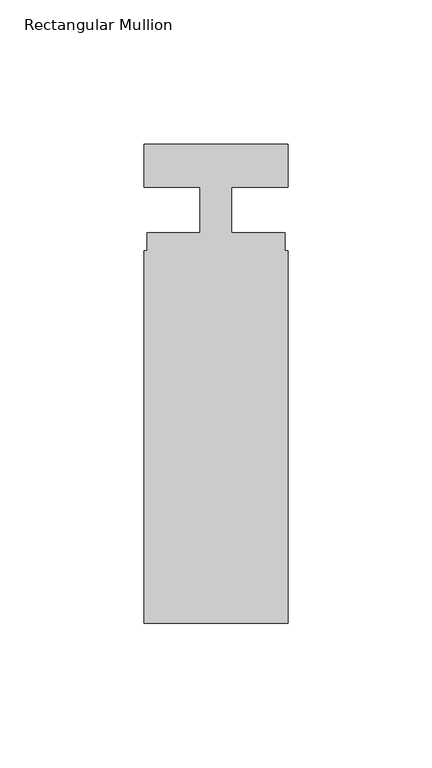
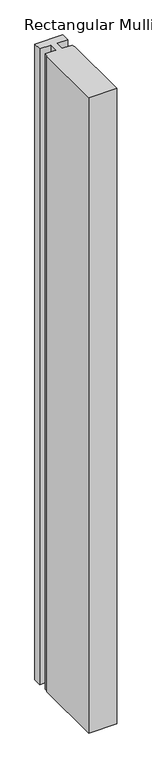
"""IFC4 building model written with IfcOpenShell, lengths in millimetres: member geometry, Rectangular Mullion."""

from ifc_helpers import new_model, si_unit, frame, origin, place, context, project, spatial, polyline, outline, extrude, source, transform, mapped, element, save


def rectangular_mullion_c75a9ccd(model_context):
    return source(origin(), model_context, "Body", "SweptSolid", [
        extrude(outline(polyline([(0.0, -140.3), (-50.0, -140.3), (-50.0, -11.0), (-48.9, -11.0), (-48.9, -4.8), (-30.4999998, -4.8), (-30.4999998, 11.0), (-50.0, 11.0), (-50.0, 26.0), (0.0, 26.0), (0.0, 11.0), (-19.5, 11.0), (-19.5, -4.8), (-1.1, -4.8), (-1.1, -11.0), (0.0, -11.0), (0.0, -140.3)])), frame((0.0, 0.0, -1200.0), z_axis=(0.0, 0.0, 1.0), x_axis=(1.0, 0.0, 0.0)), (0.0, 0.0, 1.0), 1200.0),
    ])


if __name__ == "__main__":
    model = new_model("IFC4")
    model_context = context("Model", 3, world=origin())
    ifc_project = project(units=[si_unit("LENGTHUNIT", "METRE", prefix="MILLI")], contexts=[model_context])
    site = spatial("IfcSite", under=ifc_project)
    building = spatial("IfcBuilding", under=site)
    placement = place(None, origin())
    rectangular_mullion_shape = rectangular_mullion_c75a9ccd(model_context)
    element("IfcMember", 1, ObjectType="Rectangular Mullion", at=placement, inside=building, context=model_context, shape_type="MappedRepresentation", body=[
        mapped(rectangular_mullion_shape, transform((0.0, 0.0, 0.0), x_axis=(1.0, 0.0, 0.0), y_axis=(0.0, 1.0, 0.0), z_axis=(0.0, 0.0, 1.0))),
    ])
    save(model, "model.ifc")
